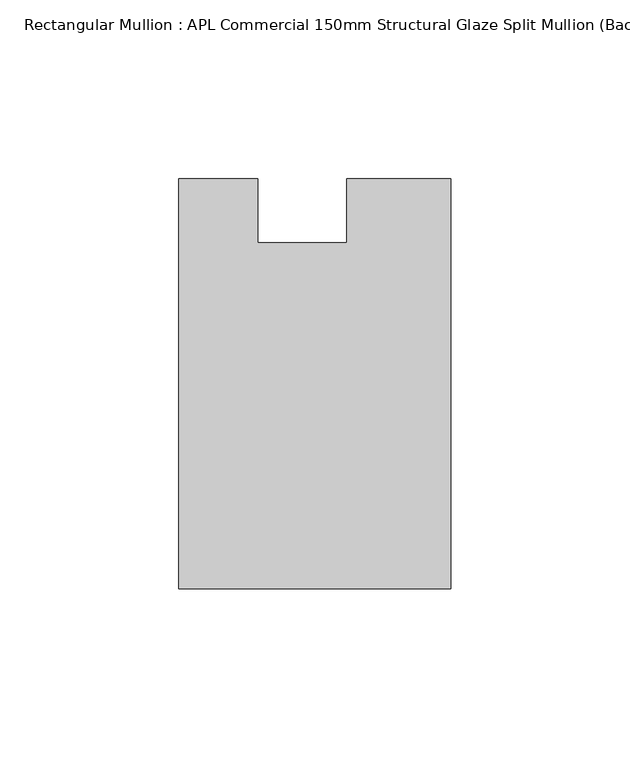
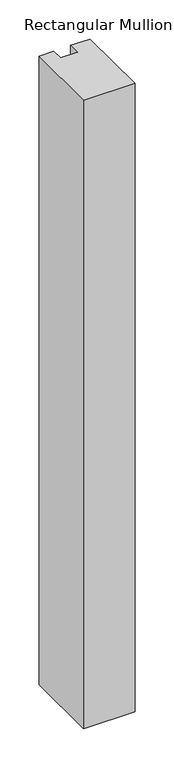
"""IFC4 building model written with IfcOpenShell, lengths in millimetres: member geometry, Rectangular Mullion : APL Commercial 150mm Structural Glaze Split Mullion (Back)."""

from ifc_helpers import new_model, si_unit, frame, origin, place, context, project, spatial, polyline, outline, extrude, source, transform, mapped, element, save


def rectangular_mullion_apl_commercial_150mm_structural_glaze_104471bb(model_context):
    return source(origin(), model_context, "Body", "SweptSolid", [
        extrude(outline(polyline([(37.9999914, -129.5195626), (-37.9999896, -129.5195626), (-37.9999896, -14.9960123), (-16.0, -14.9960123), (-16.0, -32.7960123), (9.0, -32.7960123), (9.0, -14.9960123), (37.9999914, -14.9960123), (37.9999914, -129.5195626)])), frame((0.0, 0.0, -983.7033268), z_axis=(0.0, 0.0, 1.0), x_axis=(1.0, 0.0, 0.0)), (0.0, 0.0, 1.0), 983.7033268),
    ])


if __name__ == "__main__":
    model = new_model("IFC4")
    model_context = context("Model", 3, world=origin())
    ifc_project = project(units=[si_unit("LENGTHUNIT", "METRE", prefix="MILLI")], contexts=[model_context])
    site = spatial("IfcSite", under=ifc_project)
    building = spatial("IfcBuilding", under=site)
    placement = place(None, origin())
    rectangular_mullion_apl_commercial_150mm_structural_glaze_shape = rectangular_mullion_apl_commercial_150mm_structural_glaze_104471bb(model_context)
    element("IfcMember", 1, ObjectType="Rectangular Mullion : APL Commercial 150mm Structural Glaze Split Mullion (Back)", at=placement, inside=building, context=model_context, shape_type="MappedRepresentation", body=[
        mapped(rectangular_mullion_apl_commercial_150mm_structural_glaze_shape, transform((0.0, 0.0, 0.0), x_axis=(1.0, 0.0, 0.0), y_axis=(0.0, 1.0, 0.0), z_axis=(0.0, 0.0, 1.0))),
    ])
    save(model, "model.ifc")
